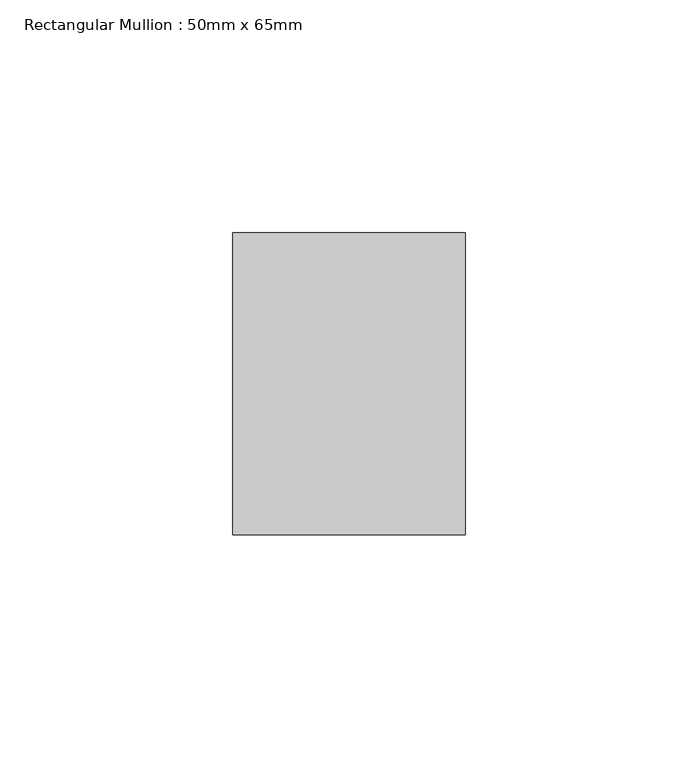
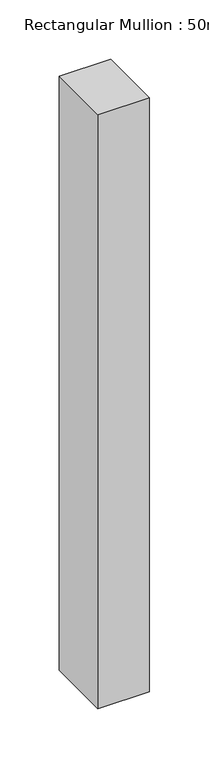
"""IFC4 building model written with IfcOpenShell, lengths in millimetres: member geometry, Rectangular Mullion : 50mm x 65mm."""

from ifc_helpers import new_model, si_unit, frame, origin, place, context, project, spatial, polyline, outline, extrude, source, transform, mapped, element, save


def rectangular_mullion_50mm_x_65mm_45ab4f30(model_context):
    return source(origin(), model_context, "Body", "SweptSolid", [
        extrude(outline(polyline([(25.0, 32.5), (25.0, -32.5), (-25.0, -32.5), (-25.0, 32.5), (25.0, 32.5)])), frame((0.0, 0.0, -610.7644182), z_axis=(0.0, 0.0, 1.0), x_axis=(1.0, 0.0, 0.0)), (0.0, 0.0, 1.0), 610.7644182),
    ])


if __name__ == "__main__":
    model = new_model("IFC4")
    model_context = context("Model", 3, world=origin())
    ifc_project = project(units=[si_unit("LENGTHUNIT", "METRE", prefix="MILLI")], contexts=[model_context])
    site = spatial("IfcSite", under=ifc_project)
    building = spatial("IfcBuilding", under=site)
    placement = place(None, origin())
    rectangular_mullion_50mm_x_65mm_shape = rectangular_mullion_50mm_x_65mm_45ab4f30(model_context)
    element("IfcMember", 1, ObjectType="Rectangular Mullion : 50mm x 65mm", at=placement, inside=building, context=model_context, shape_type="MappedRepresentation", body=[
        mapped(rectangular_mullion_50mm_x_65mm_shape, transform((0.0, 0.0, 0.0), x_axis=(1.0, 0.0, 0.0), y_axis=(0.0, 1.0, 0.0), z_axis=(0.0, 0.0, 1.0))),
    ])
    save(model, "model.ifc")
